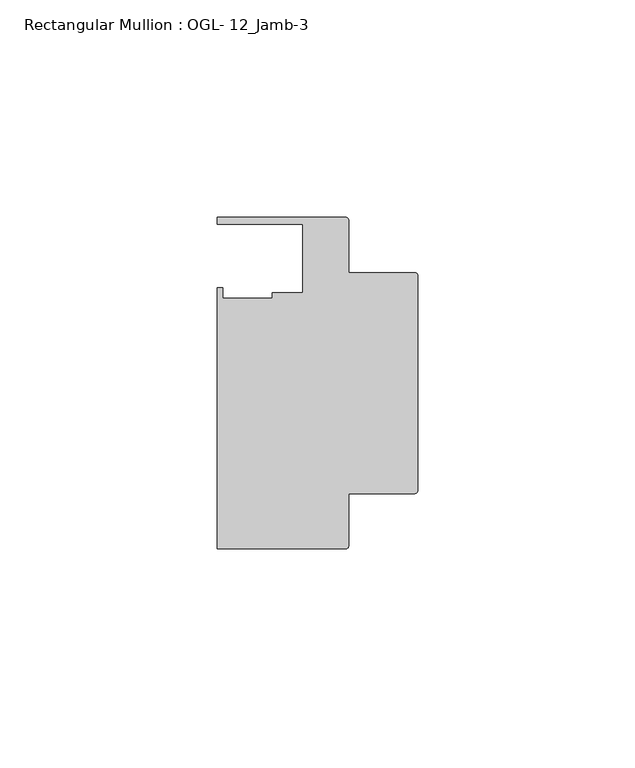
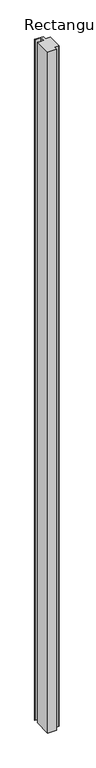
"""IFC4 building model written with IfcOpenShell, lengths in millimetres: member geometry, Rectangular Mullion : OGL- 12_Jamb-3."""

from ifc_helpers import new_model, si_unit, point, frame, frame_2d, origin, place, context, project, spatial, polyline, circle_curve, trimmed, segment, composite_curve, outline, extrude, source, transform, mapped, element, save


def rectangular_mullion_ogl_12_jamb_3_917b4bd8(model_context):
    return source(origin(), model_context, "Body", "SweptSolid", [
        extrude(outline(composite_curve([segment(polyline([(-0.5953125, -25.4), (-15.8750672, -25.4), (-15.8750672, -37.5043667)]), True, "CONTINUOUS"), segment(trimmed(circle_curve(frame_2d((-16.4703797, -37.5043667)), 0.5953125), [point((-15.8750672, -37.5043667))], [point((-16.4703797, -38.0996792))], False, "CARTESIAN"), True, "CONTINUOUS"), segment(polyline([(-16.4703797, -38.0996792), (-46.0339598, -38.0996792), (-46.0339598, 21.9710976), (-44.7780305, 21.9710976), (-44.7780305, 19.4824275), (-33.3985545, 19.4824275), (-33.3985545, 20.8257348), (-26.3720794, 20.8257348), (-26.3720794, 36.512516), (-46.0248655, 36.512516), (-46.0248655, 38.100016), (-16.4703797, 38.100016)]), True, "CONTINUOUS"), segment(trimmed(circle_curve(frame_2d((-16.4703797, 37.5047035)), 0.5953125), [point((-16.4703797, 38.100016))], [point((-15.8750672, 37.5047035))], False, "CARTESIAN"), True, "CONTINUOUS"), segment(polyline([(-15.8750672, 37.5047035), (-15.8750672, 25.4), (-0.5953125, 25.4)]), True, "CONTINUOUS"), segment(trimmed(circle_curve(frame_2d((-0.5953125, 24.8046875)), 0.5953125), [point((-0.5953125, 25.4))], [point((0.0, 24.8046875))], False, "CARTESIAN"), True, "CONTINUOUS"), segment(polyline([(0.0, 24.8046875), (0.0, -24.8046875)]), True, "CONTINUOUS"), segment(trimmed(circle_curve(frame_2d((-0.5953125, -24.8046875)), 0.5953125), [point((0.0, -24.8046875))], [point((-0.5953125, -25.4))], False, "CARTESIAN"), True, "CONTINUOUS")], self_intersect=False)), frame((0.0, 0.0, -2438.4), z_axis=(0.0, 0.0, 1.0), x_axis=(1.0, 0.0, 0.0)), (0.0, 0.0, 1.0), 2438.4),
    ])


if __name__ == "__main__":
    model = new_model("IFC4")
    model_context = context("Model", 3, world=origin())
    ifc_project = project(units=[si_unit("LENGTHUNIT", "METRE", prefix="MILLI")], contexts=[model_context])
    site = spatial("IfcSite", under=ifc_project)
    building = spatial("IfcBuilding", under=site)
    placement = place(None, origin())
    rectangular_mullion_ogl_12_jamb_3_shape = rectangular_mullion_ogl_12_jamb_3_917b4bd8(model_context)
    element("IfcMember", 1, ObjectType="Rectangular Mullion : OGL- 12_Jamb-3", at=placement, inside=building, context=model_context, shape_type="MappedRepresentation", body=[
        mapped(rectangular_mullion_ogl_12_jamb_3_shape, transform((0.0, 0.0, 0.0), x_axis=(1.0, 0.0, 0.0), y_axis=(0.0, 1.0, 0.0), z_axis=(0.0, 0.0, 1.0))),
    ])
    save(model, "model.ifc")
